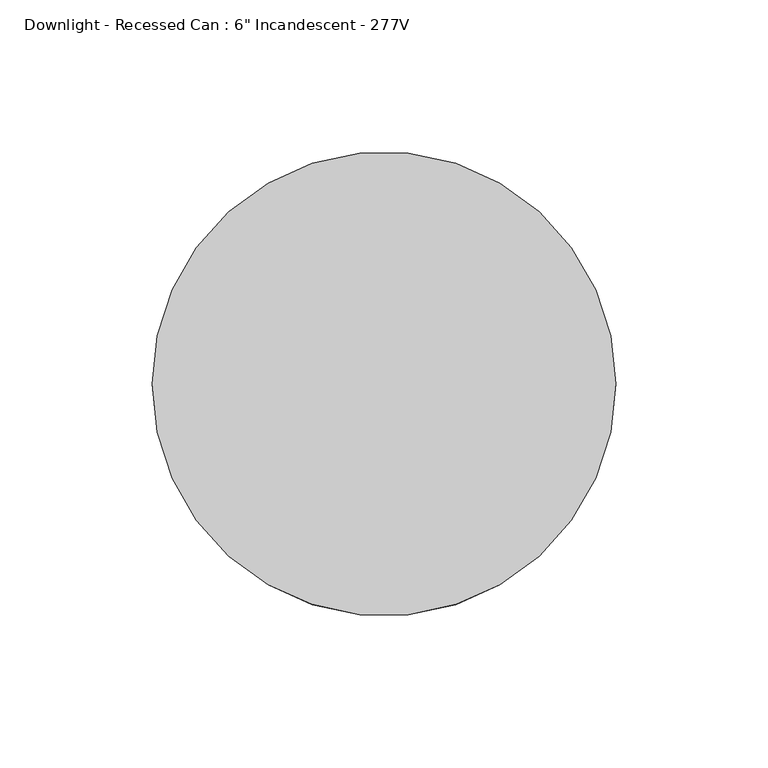
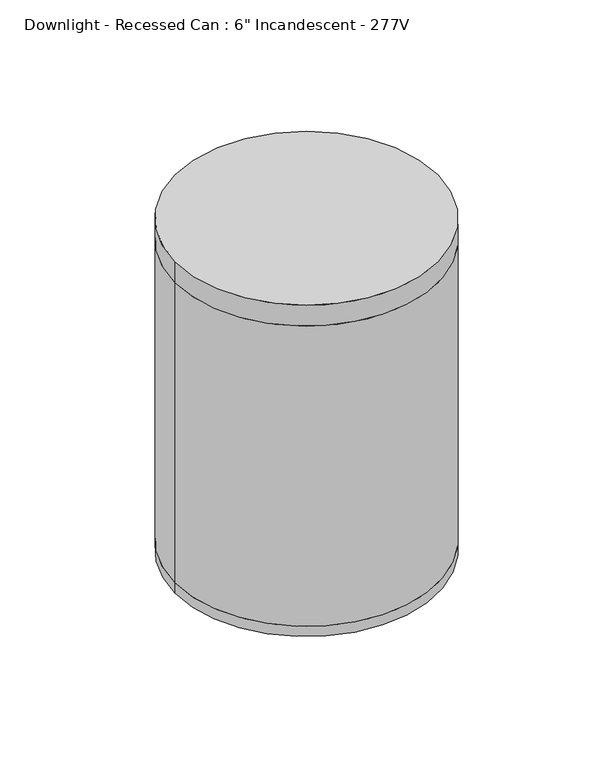
"""IFC4 building model written with IfcOpenShell, lengths in millimetres: light fixture geometry."""

from ifc_helpers import new_model, si_unit, point, frame, origin, origin_2d, place, context, project, spatial, circle_curve, trimmed, segment, composite_curve, outline, extrude, source, transform, mapped, element, save


def light_fixture_e8692caf(model_context):
    return source(origin(), model_context, "Body", "SweptSolid", [
        extrude(outline(composite_curve([segment(trimmed(circle_curve(origin_2d(), 76.2), [point((-76.2, 0.0))], [point((76.2, 0.0))], False, "CARTESIAN"), True, "CONTINUOUS"), segment(trimmed(circle_curve(origin_2d(), 76.2), [point((76.2, 0.0))], [point((-76.2, 0.0))], False, "CARTESIAN"), True, "CONTINUOUS")], self_intersect=False)), frame((0.0, 0.0, 2628.9), z_axis=(0.0, 0.0, 1.0), x_axis=(1.0, 0.0, 0.0)), (0.0, 0.0, 1.0), 12.7),
        extrude(outline(composite_curve([segment(trimmed(circle_curve(origin_2d(), 76.2), [point((-76.2, 0.0))], [point((76.2, 0.0))], False, "CARTESIAN"), True, "CONTINUOUS"), segment(trimmed(circle_curve(origin_2d(), 76.2), [point((76.2, 0.0))], [point((-76.2, 0.0))], False, "CARTESIAN"), True, "CONTINUOUS")], self_intersect=False), holes=[composite_curve([segment(trimmed(circle_curve(origin_2d(), 63.5), [point((-63.5, 0.0))], [point((63.5, 0.0))], True, "CARTESIAN"), True, "CONTINUOUS"), segment(trimmed(circle_curve(origin_2d(), 63.5), [point((63.5, 0.0))], [point((-63.5, 0.0))], True, "CARTESIAN"), True, "CONTINUOUS")], self_intersect=False)]), frame((0.0, 0.0, 2444.75), z_axis=(0.0, 0.0, 1.0), x_axis=(1.0, 0.0, 0.0)), (0.0, 0.0, 1.0), 184.15),
        extrude(outline(composite_curve([segment(trimmed(circle_curve(origin_2d(), 76.2), [point((-76.2, 0.0))], [point((76.2, 0.0))], False, "CARTESIAN"), True, "CONTINUOUS"), segment(trimmed(circle_curve(origin_2d(), 76.2), [point((76.2, 0.0))], [point((-76.2, 0.0))], False, "CARTESIAN"), True, "CONTINUOUS")], self_intersect=False)), frame((0.0, 0.0, 2438.4), z_axis=(0.0, 0.0, 1.0), x_axis=(1.0, 0.0, 0.0)), (0.0, 0.0, 1.0), 6.35),
    ])


if __name__ == "__main__":
    model = new_model("IFC4")
    model_context = context("Model", 3, world=origin())
    ifc_project = project(units=[si_unit("LENGTHUNIT", "METRE", prefix="MILLI")], contexts=[model_context])
    site = spatial("IfcSite", under=ifc_project)
    building = spatial("IfcBuilding", under=site)
    placement = place(None, origin())
    light_fixture_shape = light_fixture_e8692caf(model_context)
    element("IfcLightFixture", 1, ObjectType="Downlight - Recessed Can : 6\" Incandescent - 277V", at=placement, inside=building, context=model_context, shape_type="MappedRepresentation", body=[
        mapped(light_fixture_shape, transform((0.0, 0.0, 0.0), x_axis=(1.0, 0.0, 0.0), y_axis=(0.0, 1.0, 0.0), z_axis=(0.0, 0.0, 1.0))),
    ])
    save(model, "model.ifc")
